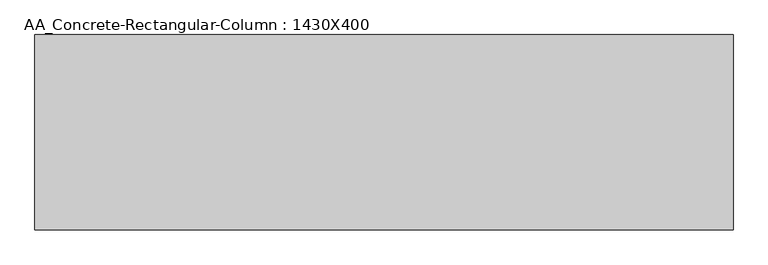
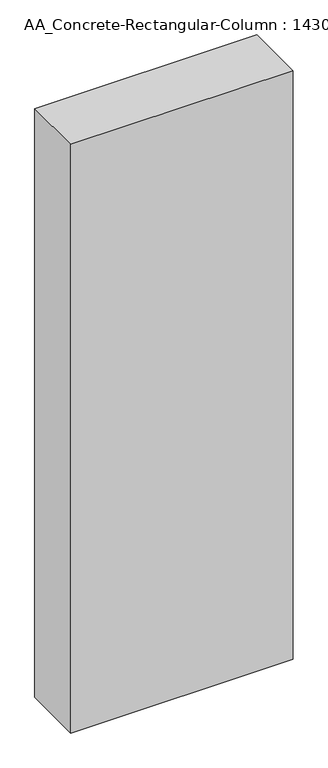
"""IFC4 building model written with IfcOpenShell, lengths in millimetres: column geometry, AA_Concrete-Rectangular-Column : 1430X400."""

from ifc_helpers import new_model, si_unit, origin, origin_with_axes, place, context, project, spatial, polyline, outline, extrude, source, transform, mapped, element, save


def aa_concrete_rectangular_column_1430x400_a00adee6(model_context):
    return source(origin(), model_context, "Body", "SweptSolid", [
        extrude(outline(polyline([(715.0, 200.0), (715.0, -200.0), (-715.0, -200.0), (-715.0, 200.0), (715.0, 200.0)])), origin_with_axes(), (0.0, 0.0, 1.0), 4000.0),
    ])


if __name__ == "__main__":
    model = new_model("IFC4")
    model_context = context("Model", 3, world=origin())
    ifc_project = project(units=[si_unit("LENGTHUNIT", "METRE", prefix="MILLI")], contexts=[model_context])
    site = spatial("IfcSite", under=ifc_project)
    building = spatial("IfcBuilding", under=site)
    placement = place(None, origin())
    aa_concrete_rectangular_column_1430x400_shape = aa_concrete_rectangular_column_1430x400_a00adee6(model_context)
    element("IfcColumn", 1, ObjectType="AA_Concrete-Rectangular-Column : 1430X400", at=placement, inside=building, context=model_context, shape_type="MappedRepresentation", body=[
        mapped(aa_concrete_rectangular_column_1430x400_shape, transform((0.0, 0.0, 0.0), x_axis=(1.0, 0.0, 0.0), y_axis=(0.0, 1.0, 0.0), z_axis=(0.0, 0.0, 1.0))),
    ])
    save(model, "model.ifc")
